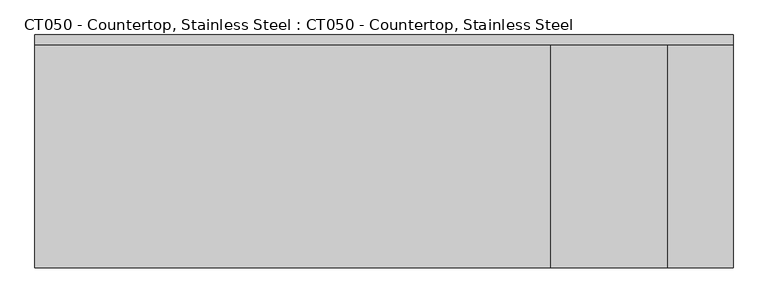
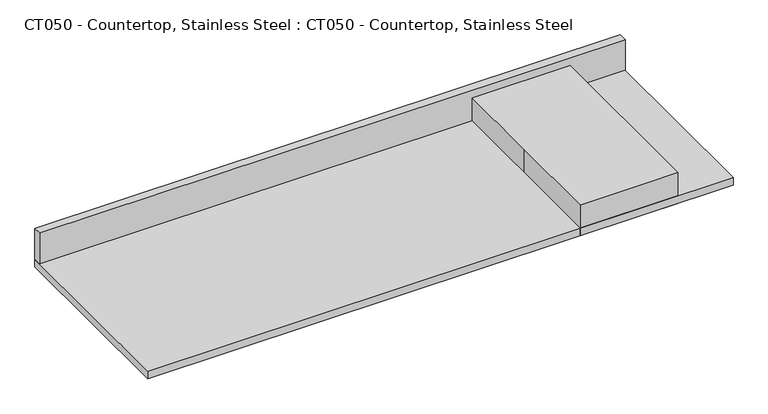
"""IFC4 building model written with IfcOpenShell, lengths in millimetres: proxy geometry, CT050 - Countertop, Stainless Steel : CT050 - Countertop, Stainless Steel."""

from ifc_helpers import new_model, si_unit, frame, origin, origin_with_axes, place, context, project, spatial, polyline, outline, extrude, source, transform, mapped, element, save


def ct050_countertop_stainless_steel_ct050_countertop_stainless_8a35fc6d(model_context):
    return source(origin(), model_context, "Body", "SweptSolid", [
        extrude(outline(polyline([(325.4375, 304.8), (325.4375, -304.8), (-1503.3625, -304.8), (-1503.3625, 304.8), (325.4375, 304.8)])), origin_with_axes(), (0.0, 0.0, 1.0), 25.4),
        extrude(outline(polyline([(-1503.3625, 279.4), (-1503.3625, 304.8), (325.4375, 304.8), (325.4375, 279.4), (-1503.3625, 279.4)])), frame((0.0, 0.0, 25.4), z_axis=(0.0, 0.0, 1.0), x_axis=(1.0, 0.0, 0.0)), (0.0, 0.0, 1.0), 101.6),
        extrude(outline(polyline([(-152.4, 304.8), (152.4, 304.8), (152.4, -304.8), (-152.4, -304.8), (-152.4, 0.0), (-152.4, 304.8)])), origin_with_axes(), (0.0, 0.0, 1.0), 101.6),
    ])


if __name__ == "__main__":
    model = new_model("IFC4")
    model_context = context("Model", 3, world=origin())
    ifc_project = project(units=[si_unit("LENGTHUNIT", "METRE", prefix="MILLI")], contexts=[model_context])
    site = spatial("IfcSite", under=ifc_project)
    building = spatial("IfcBuilding", under=site)
    placement = place(None, origin())
    ct050_countertop_stainless_steel_ct050_countertop_stainless_shape = ct050_countertop_stainless_steel_ct050_countertop_stainless_8a35fc6d(model_context)
    element("IfcBuildingElementProxy", 1, Name="CT050 - Countertop, Stainless Steel : CT050 - Countertop, Stainless Steel", ObjectType="CT050 - Countertop, Stainless Steel : CT050 - Countertop, Stainless Steel", at=placement, inside=building, context=model_context, shape_type="MappedRepresentation", body=[
        mapped(ct050_countertop_stainless_steel_ct050_countertop_stainless_shape, transform((0.0, 0.0, 0.0), x_axis=(1.0, 0.0, 0.0), y_axis=(0.0, 1.0, 0.0), z_axis=(0.0, 0.0, 1.0))),
    ])
    save(model, "model.ifc")
